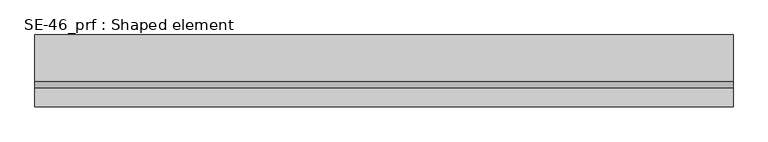
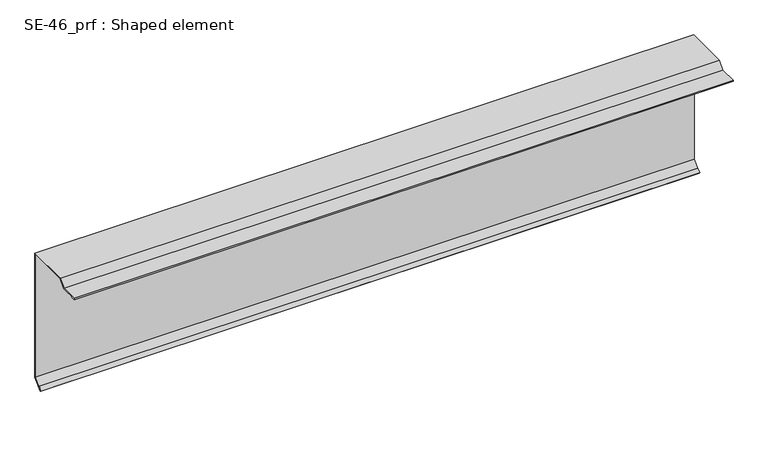
"""IFC4 building model written with IfcOpenShell, lengths in millimetres: proxy geometry, SE-46_prf : Shaped element."""

from ifc_helpers import new_model, si_unit, origin, place, context, project, spatial, faceted_brep, source, transform, mapped, element, save


def se_46_prf_shaped_element_a8e36410(model_context):
    return source(origin(), model_context, "Body", "Brep", [
        faceted_brep([(0.0, 2.0, 0.0), (0.0, 1.0, 0.0), (0.0, 1.0, 18.8492424), (0.0, -97.5857864, 18.8492424), (0.0, -112.4350288, 4.0), (0.0, -151.8492424, 4.0), (0.0, -151.8492424, 3.0), (0.0, -142.8492424, 3.0), (0.0, -142.8492424, 2.0), (0.0, -152.8492424, 2.0), (0.0, -152.8492424, 5.0), (0.0, -112.8492424, 5.0), (0.0, -98.0, 19.8492424), (0.0, 2.0, 19.8492424), (0.0, 2.0, -278.7867966), (0.0, -19.2132034, -300.0), (0.0, -21.3345238, -297.8786797), (0.0, -14.263456, -290.8076118), (0.0, -13.5563492, -291.5147186), (0.0, -19.9203102, -297.8786797), (0.0, -19.2132034, -298.5857864), (0.0, 1.0, -278.372583), (1500.0, 1.0, 0.0), (1500.0, 2.0, 0.0), (1500.0, 2.0, 19.8492424), (1500.0, -98.0, 19.8492424), (1500.0, -112.8492424, 5.0), (1500.0, -152.8492424, 5.0), (1500.0, -152.8492424, 2.0), (1500.0, -142.8492424, 2.0), (1500.0, -142.8492424, 3.0), (1500.0, -151.8492424, 3.0), (1500.0, -151.8492424, 4.0), (1500.0, -112.4350288, 4.0), (1500.0, -97.5857864, 18.8492424), (1500.0, 1.0, 18.8492424), (1500.0, 1.0, -278.372583), (1500.0, -19.2132034, -298.5857864), (1500.0, -19.9203102, -297.8786797), (1500.0, -13.5563492, -291.5147186), (1500.0, -14.263456, -290.8076118), (1500.0, -21.3345238, -297.8786797), (1500.0, -19.2132034, -300.0), (1500.0, 2.0, -278.7867966)], [[[0, 1, 2, 3, 4, 5, 6, 7, 8, 9, 10, 11, 12, 13]], [[1, 0, 14, 15, 16, 17, 18, 19, 20, 21]], [[22, 23, 24, 25, 26, 27, 28, 29, 30, 31, 32, 33, 34, 35]], [[23, 22, 36, 37, 38, 39, 40, 41, 42, 43]], [[13, 12, 25, 24]], [[0, 13, 24, 23, 43, 14]], [[15, 14, 43, 42]], [[16, 15, 42, 41]], [[17, 16, 41, 40]], [[18, 17, 40, 39]], [[19, 18, 39, 38]], [[20, 19, 38, 37]], [[21, 20, 37, 36]], [[2, 1, 21, 36, 22, 35]], [[3, 2, 35, 34]], [[4, 3, 34, 33]], [[5, 4, 33, 32]], [[6, 5, 32, 31]], [[7, 6, 31, 30]], [[8, 7, 30, 29]], [[9, 8, 29, 28]], [[10, 9, 28, 27]], [[11, 10, 27, 26]], [[12, 11, 26, 25]]]),
    ])


if __name__ == "__main__":
    model = new_model("IFC4")
    model_context = context("Model", 3, world=origin())
    ifc_project = project(units=[si_unit("LENGTHUNIT", "METRE", prefix="MILLI")], contexts=[model_context])
    site = spatial("IfcSite", under=ifc_project)
    building = spatial("IfcBuilding", under=site)
    placement = place(None, origin())
    se_46_prf_shaped_element_shape = se_46_prf_shaped_element_a8e36410(model_context)
    element("IfcBuildingElementProxy", 1, Name="SE-46_prf : Shaped element", ObjectType="SE-46_prf : Shaped element", at=placement, inside=building, context=model_context, shape_type="MappedRepresentation", body=[
        mapped(se_46_prf_shaped_element_shape, transform((0.0, 0.0, 0.0), x_axis=(1.0, 0.0, 0.0), y_axis=(0.0, 1.0, 0.0), z_axis=(0.0, 0.0, 1.0))),
    ])
    save(model, "model.ifc")
